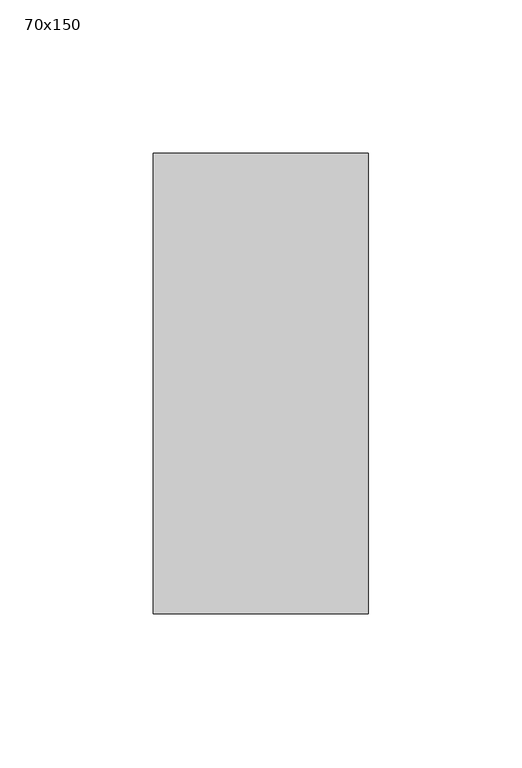
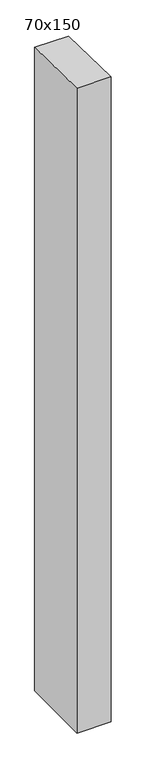
"""IFC4 building model written with IfcOpenShell, lengths in millimetres: member geometry, 70x150."""

from ifc_helpers import new_model, si_unit, frame, origin, place, context, project, spatial, polyline, outline, extrude, source, transform, mapped, element, save


def member_70x150_978bb48a(model_context):
    return source(origin(), model_context, "Body", "SweptSolid", [
        extrude(outline(polyline([(-75.0, 1.3778058), (75.0, -1.3778058), (75.0, -1399.8660733), (-75.0, -1400.4825878), (-75.0, 1.3778058)])), frame((-70.0, 0.0, 0.0), z_axis=(1.0, 0.0, 0.0), x_axis=(0.0, 1.0, 0.0)), (0.0, 0.0, 1.0), 70.0),
    ])


if __name__ == "__main__":
    model = new_model("IFC4")
    model_context = context("Model", 3, world=origin())
    ifc_project = project(units=[si_unit("LENGTHUNIT", "METRE", prefix="MILLI")], contexts=[model_context])
    site = spatial("IfcSite", under=ifc_project)
    building = spatial("IfcBuilding", under=site)
    placement = place(None, origin())
    member_70x150_shape = member_70x150_978bb48a(model_context)
    element("IfcMember", 1, ObjectType="70x150", at=placement, inside=building, context=model_context, shape_type="MappedRepresentation", body=[
        mapped(member_70x150_shape, transform((0.0, 0.0, 0.0), x_axis=(1.0, 0.0, 0.0), y_axis=(0.0, 1.0, 0.0), z_axis=(0.0, 0.0, 1.0))),
    ])
    save(model, "model.ifc")
